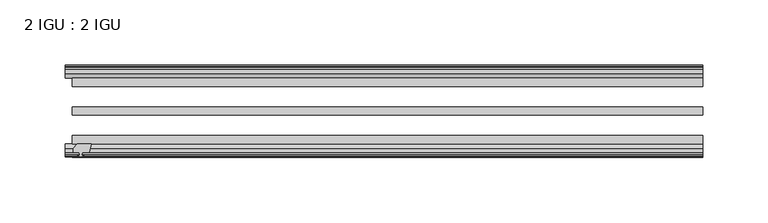
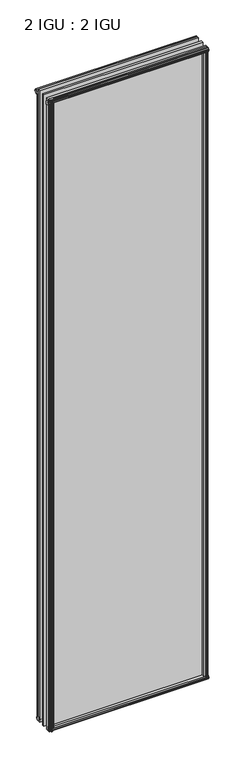
"""IFC4 building model written with IfcOpenShell, lengths in millimetres: plate geometry, 2 IGU : 2 IGU."""

from ifc_helpers import new_model, si_unit, frame, origin, origin_with_axes, place, context, project, spatial, polyline, outline, extrude, source, transform, mapped, element, save


def plate_2_igu_2_igu_7a490eb4(model_context):
    return source(origin(), model_context, "Body", "SweptSolid", [
        extrude(outline(polyline([(-226.2642377, -69.9960936), (-227.9819558, -76.3460936), (-233.1889558, -76.3460936), (-233.5699558, -78.7262905), (-232.1544267, -78.2663573), (-232.1544267, -79.0675715), (-234.3319558, -79.7750936), (-236.5094848, -79.0675715), (-236.5094848, -78.2663573), (-235.0939558, -78.7262905), (-235.4749558, -76.3460936), (-239.9199558, -76.3460936), (-239.9199558, -73.3996936), (-237.0856136, -69.9960936), (-226.2642377, -69.9960936)])), frame((0.0, 0.0, -12.303125), z_axis=(0.0, 0.0, 1.0), x_axis=(1.0, 0.0, 0.0)), (0.0, 0.0, 1.0), 2018.661825),
        extrude(outline(polyline([(232.6751267, -10.4746158), (234.8526558, -9.7670937), (237.0301848, -10.4746158), (237.0301848, -11.27583), (235.6146558, -10.8158968), (235.9956558, -13.1960937), (240.4406558, -13.1960937), (240.4406558, -16.1424937), (237.6063136, -19.5460937), (226.7849377, -19.5460937), (228.5026558, -13.1960937), (233.7096558, -13.1960937), (234.0906558, -10.8158968), (232.6751267, -11.27583), (232.6751267, -10.4746158)])), origin_with_axes(), (0.0, 0.0, 1.0), 1993.9),
        extrude(outline(polyline([(-19.5460937, 1.5938931), (-13.1960937, -0.123825), (-13.1960937, -5.330825), (-10.8158968, -5.711825), (-11.27583, -4.2962959), (-10.4746158, -4.2962959), (-9.7670937, -6.473825), (-10.4746158, -8.6513541), (-11.27583, -8.6513541), (-10.8158968, -7.235825), (-13.1960937, -7.616825), (-13.1960937, -12.061825), (-16.1424937, -12.061825), (-19.5460937, -9.2274828), (-19.5460937, 1.5938931)])), frame((-240.6819558, 0.0, 0.0), z_axis=(1.0, 0.0, 0.0), x_axis=(0.0, 1.0, 0.0)), (0.0, 0.0, 1.0), 481.3639115),
        extrude(outline(polyline([(-69.9960936, 2.1145931), (-69.9960936, -8.7067828), (-73.3996936, -11.541125), (-76.3460936, -11.541125), (-76.3460936, -7.096125), (-78.7262905, -6.715125), (-78.2663573, -8.1306541), (-79.0675715, -8.1306541), (-79.7750936, -5.953125), (-79.0675715, -3.7755959), (-78.2663573, -3.7755959), (-78.7262905, -5.191125), (-76.3460936, -4.810125), (-76.3460936, 0.396875), (-69.9960936, 2.1145931)])), frame((-240.6819558, 0.0, 0.0), z_axis=(1.0, 0.0, 0.0), x_axis=(0.0, 1.0, 0.0)), (0.0, 0.0, 1.0), 481.3639115),
        extrude(outline(polyline([(-10.8158968, 2001.5327), (-11.27583, 2002.9482291), (-10.4746158, 2002.9482291), (-9.7670937, 2000.7707), (-10.4746158, 1998.5931709), (-11.27583, 1998.5931709), (-10.8158968, 2000.0087), (-13.1960937, 1999.6277), (-13.1960937, 1994.4207), (-19.5460937, 1992.7029819), (-19.5460937, 2003.5243578), (-16.1424937, 2006.3587), (-13.1960937, 2006.3587), (-13.1960937, 2001.9137), (-10.8158968, 2001.5327)])), frame((-246.0280617, 0.0, 0.0), z_axis=(1.0, 0.0, 0.0), x_axis=(0.0, 1.0, 0.0)), (0.0, 0.0, 1.0), 486.7100174),
        extrude(outline(polyline([(-76.3460936, 2005.838), (-73.3996936, 2005.838), (-69.9960936, 2003.0036578), (-69.9960936, 1992.1822819), (-76.3460936, 1993.9), (-76.3460936, 1999.107), (-78.7262905, 1999.488), (-78.2663573, 1998.0724709), (-79.0675715, 1998.0724709), (-79.7750936, 2000.25), (-79.0675715, 2002.4275291), (-78.2663573, 2002.4275291), (-78.7262905, 2001.012), (-76.3460936, 2001.393), (-76.3460936, 2005.838)])), frame((-246.0280617, 0.0, 0.0), z_axis=(1.0, 0.0, 0.0), x_axis=(0.0, 1.0, 0.0)), (0.0, 0.0, 1.0), 486.7100174),
        extrude(outline(polyline([(226.2642377, -69.9960936), (237.0856136, -69.9960936), (239.9199558, -73.3996936), (239.9199558, -76.3460936), (235.4749558, -76.3460936), (235.0939558, -78.7262905), (236.5094848, -78.2663573), (236.5094848, -79.0675715), (234.3319558, -79.7750936), (232.1544267, -79.0675715), (232.1544267, -78.2663573), (233.5699558, -78.7262905), (233.1889558, -76.3460936), (227.9819558, -76.3460936), (226.2642377, -69.9960936)])), origin_with_axes(), (0.0, 0.0, 1.0), 1993.9),
        extrude(outline(polyline([(-234.8526558, -9.7670937), (-232.6751267, -10.4746158), (-232.6751267, -11.27583), (-234.0906558, -10.8158968), (-233.7096558, -13.1960937), (-228.5026558, -13.1960937), (-226.7849377, -19.5460937), (-237.6063136, -19.5460937), (-240.4406558, -16.1424937), (-240.4406558, -13.1960937), (-235.9956558, -13.1960937), (-235.6146558, -10.8158968), (-237.0301848, -11.27583), (-237.0301848, -10.4746158), (-234.8526558, -9.7670937)])), origin_with_axes(), (0.0, 0.0, 1.0), 1993.9),
        extrude(outline(polyline([(240.6819558, -19.5460937), (240.6819558, -25.8960937), (-240.6819558, -25.8960937), (-240.6819558, -19.5460937), (240.6819558, -19.5460937)])), frame((0.0, 0.0, -12.303125), z_axis=(0.0, 0.0, 1.0), x_axis=(1.0, 0.0, 0.0)), (0.0, 0.0, 1.0), 2018.903125),
        extrude(outline(polyline([(-240.6819558, -41.5960937), (240.6819558, -41.5960937), (240.6819558, -47.9460937), (-240.6819558, -47.9460937), (-240.6819558, -41.5960937)])), frame((0.0, 0.0, -12.303125), z_axis=(0.0, 0.0, 1.0), x_axis=(1.0, 0.0, 0.0)), (0.0, 0.0, 1.0), 2018.903125),
        extrude(outline(polyline([(240.6819558, -63.6460936), (240.6819558, -69.9960936), (-240.6819558, -69.9960936), (-240.6819558, -63.6460936), (240.6819558, -63.6460936)])), frame((0.0, 0.0, -12.303125), z_axis=(0.0, 0.0, 1.0), x_axis=(1.0, 0.0, 0.0)), (0.0, 0.0, 1.0), 2018.903125),
    ])


if __name__ == "__main__":
    model = new_model("IFC4")
    model_context = context("Model", 3, world=origin())
    ifc_project = project(units=[si_unit("LENGTHUNIT", "METRE", prefix="MILLI")], contexts=[model_context])
    site = spatial("IfcSite", under=ifc_project)
    building = spatial("IfcBuilding", under=site)
    placement = place(None, origin())
    plate_2_igu_2_igu_shape = plate_2_igu_2_igu_7a490eb4(model_context)
    element("IfcPlate", 1, ObjectType="2 IGU : 2 IGU", at=placement, inside=building, context=model_context, shape_type="MappedRepresentation", body=[
        mapped(plate_2_igu_2_igu_shape, transform((0.0, 0.0, 0.0), x_axis=(1.0, 0.0, 0.0), y_axis=(0.0, 1.0, 0.0), z_axis=(0.0, 0.0, 1.0))),
    ])
    save(model, "model.ifc")
